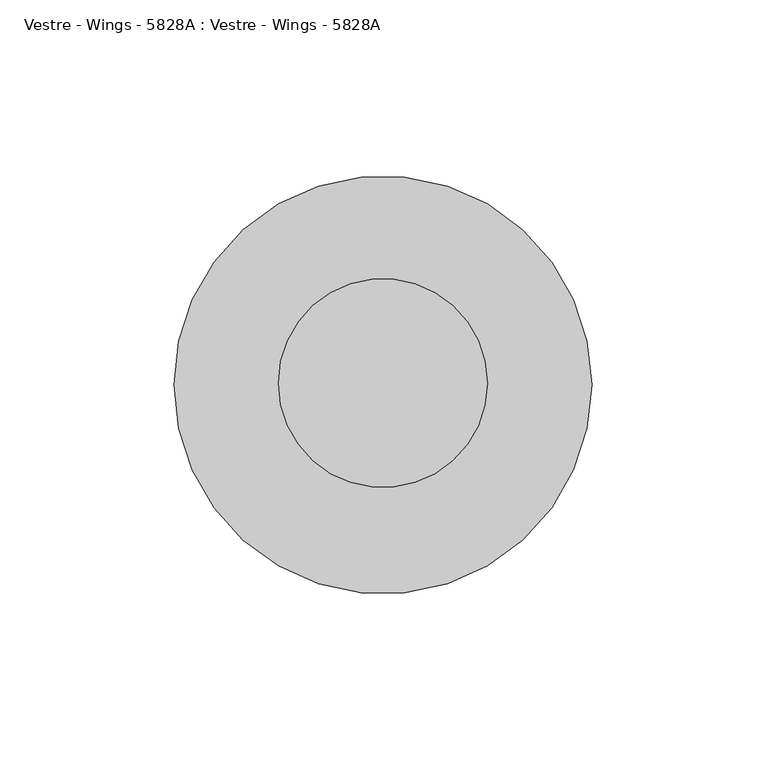
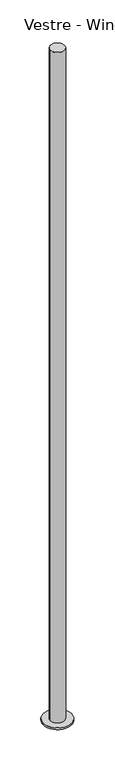
"""IFC4 building model written with IfcOpenShell, lengths in millimetres: furniture geometry, Vestre - Wings - 5828A : Vestre - Wings - 5828A."""

from ifc_helpers import new_model, si_unit, point, frame, origin, origin_with_axes, origin_2d, place, context, project, spatial, circle_curve, trimmed, segment, composite_curve, outline, extrude, source, transform, mapped, element, save


def vestre_wings_5828a_vestre_wings_5828a_c6a9b2fd(model_context):
    return source(origin(), model_context, "Body", "SweptSolid", [
        extrude(outline(composite_curve([segment(trimmed(circle_curve(origin_2d(), 60.0), [point((-60.0, 0.0))], [point((60.0, 0.0))], False, "CARTESIAN"), True, "CONTINUOUS"), segment(trimmed(circle_curve(origin_2d(), 60.0), [point((60.0, 0.0))], [point((-60.0, 0.0))], False, "CARTESIAN"), True, "CONTINUOUS")], self_intersect=False)), origin_with_axes(), (0.0, 0.0, 1.0), 7.85),
        extrude(outline(composite_curve([segment(trimmed(circle_curve(origin_2d(), 30.0), [point((-30.0, 0.0))], [point((30.0, 0.0))], False, "CARTESIAN"), True, "CONTINUOUS"), segment(trimmed(circle_curve(origin_2d(), 30.0), [point((30.0, 0.0))], [point((-30.0, 0.0))], False, "CARTESIAN"), True, "CONTINUOUS")], self_intersect=False)), frame((0.0, 0.0, 7.85), z_axis=(0.0, 0.0, 1.0), x_axis=(1.0, 0.0, 0.0)), (0.0, 0.0, 1.0), 2992.15),
    ])


if __name__ == "__main__":
    model = new_model("IFC4")
    model_context = context("Model", 3, world=origin())
    ifc_project = project(units=[si_unit("LENGTHUNIT", "METRE", prefix="MILLI")], contexts=[model_context])
    site = spatial("IfcSite", under=ifc_project)
    building = spatial("IfcBuilding", under=site)
    placement = place(None, origin())
    vestre_wings_5828a_vestre_wings_5828a_shape = vestre_wings_5828a_vestre_wings_5828a_c6a9b2fd(model_context)
    element("IfcFurniture", 1, ObjectType="Vestre - Wings - 5828A : Vestre - Wings - 5828A", at=placement, inside=building, context=model_context, shape_type="MappedRepresentation", body=[
        mapped(vestre_wings_5828a_vestre_wings_5828a_shape, transform((0.0, 0.0, 0.0), x_axis=(1.0, 0.0, 0.0), y_axis=(0.0, 1.0, 0.0), z_axis=(0.0, 0.0, 1.0))),
    ])
    save(model, "model.ifc")
